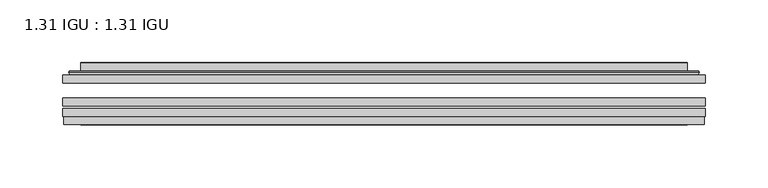
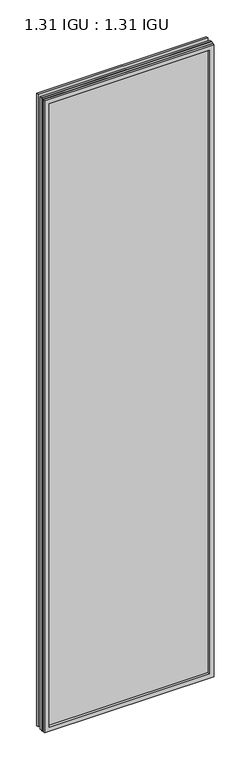
"""IFC4 building model written with IfcOpenShell, lengths in millimetres: plate geometry, 1.31 IGU : 1.31 IGU."""

from ifc_helpers import new_model, si_unit, frame, origin, place, context, project, spatial, polyline, ellipse_curve, outline, extrude, faceted_brep, source, transform, mapped, element, save
from ifc_brep_helpers import plane_surface, cylinder_surface, advanced_brep


def plate_1_31_igu_1_31_igu_3024964c(model_context):
    return source(origin(), model_context, "Body", "SolidModel", [
        extrude(outline(polyline([(255.601675, -63.59525), (255.601675, -69.94525), (-255.5875, -69.94525), (-255.5875, -63.59525), (255.601675, -63.59525)])), frame((0.0, 0.0, -14.2875), z_axis=(0.0, 0.0, 1.0), x_axis=(1.0, 0.0, 0.0)), (0.0, 0.0, 1.0), 2009.796575),
        extrude(outline(polyline([(-255.5875, -78.58125), (-255.5875, -72.230745), (255.601675, -72.230745), (255.601675, -78.58125), (-255.5875, -78.58125)])), frame((0.0, 0.0, -14.2875), z_axis=(0.0, 0.0, 1.0), x_axis=(1.0, 0.0, 0.0)), (0.0, 0.0, 1.0), 2009.796575),
        extrude(outline(polyline([(255.601675, -45.25645), (255.601675, -51.60645), (-255.5875, -51.60645), (-255.5875, -45.25645), (255.601675, -45.25645)])), frame((0.0, 0.0, -14.2875), z_axis=(0.0, 0.0, 1.0), x_axis=(1.0, 0.0, 0.0)), (0.0, 0.0, 1.0), 2009.796575),
        faceted_brep([(-254.8873142, -84.93125, 1994.8050914), (-254.8873142, -78.58125, 1994.8050914), (-254.8873142, -78.58125, -13.5873142), (-254.8873142, -84.93125, -13.5873142), (254.8873142, -78.58125, -13.5873142), (254.8873142, -84.93125, -13.5873142), (254.8873142, -78.58125, 1994.8050914), (254.8873142, -84.93125, 1994.8050914), (-240.4022559, -78.58125, 0.8977441), (240.4022559, -78.58125, 0.8977441), (240.4022559, -78.58125, 1980.320033), (-240.4022559, -78.58125, 1980.320033), (-241.2946902, -84.93125, 1981.2124673), (241.2946902, -84.93125, 1981.2124673), (241.2946902, -84.93125, 0.0053098), (-241.2946902, -84.93125, 0.0053098)], [[[0, 1, 2, 3]], [[3, 2, 4, 5]], [[5, 4, 6, 7]], [[1, 6, 4, 2], [8, 9, 10, 11]], [[7, 6, 1, 0]], [[3, 5, 7, 0], [12, 13, 14, 15]], [[11, 12, 15, 8]], [[8, 15, 14, 9]], [[9, 14, 13, 10]], [[10, 13, 12, 11]]]),
        advanced_brep(
        [(-248.346219, -45.25645, 1988.2639962), (-250.7004244, -43.2667833, 1990.6182015), (-250.7004244, -43.2667833, -9.4004244), (-248.346219, -45.25645, -7.046219), (-239.2718939, -41.416413, 1979.1896711), (-234.3370621, -45.25645, 1974.2548392), (-234.3370621, -45.25645, 6.9629379), (-239.2718939, -41.416413, 2.0281061), (-240.3039217, -36.0191819, 1980.2216988), (-240.3039217, -36.0191819, 0.9960783), (-241.2945784, -35.6202069, 1981.2123556), (-241.2945784, -35.6202069, 0.0054216), (-241.2945784, -42.08145, 1981.2123556), (-241.2945784, -42.08145, 0.0054216), (-249.6986349, -42.08145, 1989.616412), (-249.6986349, -42.08145, -8.3986349), (250.7004244, -43.2667833, -9.4004244), (248.346219, -45.25645, -7.046219), (234.3370621, -45.25645, 6.9629379), (239.2718939, -41.416413, 2.0281061), (240.3039217, -36.0191819, 0.9960783), (241.2945784, -35.6202069, 0.0054216), (241.2945784, -42.08145, 0.0054216), (249.6986349, -42.08145, -8.3986349), (250.7004244, -43.2667833, 1990.6182015), (248.346219, -45.25645, 1988.2639962), (234.3370621, -45.25645, 1974.2548392), (239.2718939, -41.416413, 1979.1896711), (240.3039217, -36.0191819, 1980.2216988), (241.2945784, -35.6202069, 1981.2123556), (241.2945784, -42.08145, 1981.2123556), (249.6986349, -42.08145, 1989.616412)],
        [
            (0, 1, ellipse_curve(frame((-248.346219, -42.86885, 1988.2639962), z_axis=(-0.7071067811865475, 0.0, -0.7071067811865475), x_axis=(-0.7071067811865474, 0.0, 0.7071067811865476)), 3.3765763, 2.3876)),
            (1, 2),
            (2, 3, ellipse_curve(frame((-248.346219, -42.86885, -7.046219), z_axis=(-0.7071067811865475, 0.0, 0.7071067811865475), x_axis=(0.7071067811865474, 0.0, 0.7071067811865476)), 3.3765763, 2.3876)),
            (3, 0),
            (4, 5),
            (5, 6),
            (6, 7),
            (7, 4),
            (8, 4),
            (7, 9),
            (9, 8),
            (10, 8, ellipse_curve(frame((-240.9276219, -36.1384423, 1980.845399), z_axis=(-0.7071067811865475, 0.0, -0.7071067811865475), x_axis=(-0.7071067811865474, 0.0, 0.7071067811865476)), 0.8980256, 0.635)),
            (9, 11, ellipse_curve(frame((-240.9276219, -36.1384423, 0.3723781), z_axis=(-0.7071067811865475, 0.0, 0.7071067811865475), x_axis=(0.7071067811865474, 0.0, 0.7071067811865476)), 0.8980256, 0.635)),
            (11, 10),
            (12, 10),
            (11, 13),
            (13, 12),
            (1, 14, ellipse_curve(frame((-249.6986349, -43.09745, 1989.616412), z_axis=(-0.7071067811865475, 0.0, -0.7071067811865475), x_axis=(-0.7071067811865474, 0.0, 0.7071067811865476)), 1.436841, 1.016)),
            (14, 15),
            (15, 2, ellipse_curve(frame((-249.6986349, -43.09745, -8.3986349), z_axis=(-0.7071067811865475, 0.0, 0.7071067811865475), x_axis=(0.7071067811865474, 0.0, 0.7071067811865476)), 1.436841, 1.016)),
            (2, 16),
            (16, 17, ellipse_curve(frame((248.346219, -42.86885, -7.046219), z_axis=(-0.7071067811865475, 0.0, -0.7071067811865475), x_axis=(-0.7071067811865476, 0.0, 0.7071067811865474)), 3.3765763, 2.3876)),
            (17, 3),
            (6, 18),
            (18, 19),
            (19, 7),
            (19, 20),
            (20, 9),
            (20, 21, ellipse_curve(frame((240.9276219, -36.1384423, 0.3723781), z_axis=(-0.7071067811865475, 0.0, -0.7071067811865475), x_axis=(-0.7071067811865476, 0.0, 0.7071067811865474)), 0.8980256, 0.635)),
            (21, 11),
            (21, 22),
            (22, 13),
            (15, 23),
            (23, 16, ellipse_curve(frame((249.6986349, -43.09745, -8.3986349), z_axis=(-0.7071067811865475, 0.0, -0.7071067811865475), x_axis=(-0.7071067811865476, 0.0, 0.7071067811865474)), 1.436841, 1.016)),
            (16, 24),
            (24, 25, ellipse_curve(frame((248.346219, -42.86885, 1988.2639962), z_axis=(0.7071067811865475, 0.0, -0.7071067811865475), x_axis=(-0.7071067811865474, 0.0, -0.7071067811865476)), 3.3765763, 2.3876)),
            (25, 17),
            (18, 26),
            (26, 27),
            (27, 19),
            (27, 28),
            (28, 20),
            (28, 29, ellipse_curve(frame((240.9276219, -36.1384423, 1980.845399), z_axis=(0.7071067811865475, 0.0, -0.7071067811865475), x_axis=(-0.7071067811865474, 0.0, -0.7071067811865476)), 0.8980256, 0.635)),
            (29, 21),
            (29, 30),
            (30, 22),
            (23, 31),
            (31, 24, ellipse_curve(frame((249.6986349, -43.09745, 1989.616412), z_axis=(0.7071067811865475, 0.0, -0.7071067811865475), x_axis=(-0.7071067811865474, 0.0, -0.7071067811865476)), 1.436841, 1.016)),
            (24, 1),
            (0, 25),
            (5, 26),
            (4, 27),
            (8, 28),
            (10, 29),
            (12, 30),
            (14, 31),
        ],
        [
            cylinder_surface(frame((-248.346219, -42.86885, 2012.9677772), z_axis=(0.0, 0.0, 1.0), x_axis=(-1.0, 0.0, 0.0)), 2.3876),
            plane_surface(frame((-234.3370621, -45.25645, 1974.2548392), z_axis=(0.6141233906514794, 0.7892100234124821, 0.0), x_axis=(0.0, 0.0, -1.0))),
            plane_surface(frame((-239.2718939, -41.416413, 1979.1896711), z_axis=(0.9822050625507729, 0.18781164793386076, 0.0), x_axis=(0.0, 0.0, -1.0))),
            cylinder_surface(frame((-240.9276219, -36.1384423, 2012.9677772), z_axis=(0.0, 0.0, 1.0), x_axis=(-1.0, 0.0, 0.0)), 0.635),
            plane_surface(frame((-241.2945784, -35.6202069, 1981.2123556), z_axis=(-1.0, 0.0, 0.0), x_axis=(0.0, 0.0, -1.0))),
            cylinder_surface(frame((-249.6986349, -43.09745, 2012.9677772), z_axis=(0.0, 0.0, 1.0), x_axis=(-1.0, 0.0, 0.0)), 1.016),
            cylinder_surface(frame((-273.05, -42.86885, -7.046219), z_axis=(-1.0, 0.0, 0.0), x_axis=(0.0, 0.0, -1.0)), 2.3876),
            plane_surface(frame((-234.3370621, -45.25645, 6.9629379), z_axis=(0.0, 0.7892100234124841, 0.6141233906514768), x_axis=(1.0, 0.0, 0.0))),
            plane_surface(frame((-239.2718939, -41.416413, 2.0281061), z_axis=(0.0, 0.18781164793386393, 0.9822050625507723), x_axis=(1.0, 0.0, 0.0))),
            cylinder_surface(frame((-273.05, -36.1384423, 0.3723781), z_axis=(-1.0, 0.0, 0.0), x_axis=(0.0, 0.0, -1.0)), 0.635),
            plane_surface(frame((-241.2945784, -35.6202069, 0.0054216), z_axis=(0.0, 0.0, -1.0), x_axis=(1.0, 0.0, 0.0))),
            cylinder_surface(frame((-273.05, -43.09745, -8.3986349), z_axis=(-1.0, 0.0, 0.0), x_axis=(0.0, 0.0, -1.0)), 1.016),
            cylinder_surface(frame((248.346219, -42.86885, -31.75), z_axis=(0.0, 0.0, -1.0), x_axis=(1.0, 0.0, 0.0)), 2.3876),
            plane_surface(frame((234.3370621, -45.25645, 6.9629379), z_axis=(-0.6141233906514743, 0.7892100234124861, 0.0), x_axis=(0.0, 0.0, 1.0))),
            plane_surface(frame((239.2718939, -41.416413, 2.0281061), z_axis=(-0.9822050625507718, 0.1878116479338671, 0.0), x_axis=(0.0, 0.0, 1.0))),
            cylinder_surface(frame((240.9276219, -36.1384423, -31.75), z_axis=(0.0, 0.0, -1.0), x_axis=(1.0, 0.0, 0.0)), 0.635),
            plane_surface(frame((241.2945784, -35.6202069, 0.0054216), z_axis=(1.0, 0.0, 0.0), x_axis=(0.0, 0.0, 1.0))),
            cylinder_surface(frame((249.6986349, -43.09745, -31.75), z_axis=(0.0, 0.0, -1.0), x_axis=(1.0, 0.0, 0.0)), 1.016),
            cylinder_surface(frame((273.05, -42.86885, 1988.2639962), z_axis=(1.0, 0.0, 0.0), x_axis=(0.0, 0.0, 1.0)), 2.3876),
            plane_surface(frame((248.346219, -45.25645, 1988.2639962), z_axis=(0.0, -1.0, 0.0), x_axis=(-1.0, 0.0, 0.0))),
            plane_surface(frame((234.3370621, -45.25645, 1974.2548392), z_axis=(0.0, 0.7892100234124841, -0.6141233906514768), x_axis=(-1.0, 0.0, 0.0))),
            plane_surface(frame((239.2718939, -41.416413, 1979.1896711), z_axis=(0.0, 0.18781164793386393, -0.9822050625507723), x_axis=(-1.0, 0.0, 0.0))),
            cylinder_surface(frame((273.05, -36.1384423, 1980.845399), z_axis=(1.0, 0.0, 0.0), x_axis=(0.0, 0.0, 1.0)), 0.635),
            plane_surface(frame((241.2945784, -35.6202069, 1981.2123556), z_axis=(0.0, 0.0, 1.0), x_axis=(-1.0, 0.0, 0.0))),
            plane_surface(frame((241.2945784, -42.08145, 1981.2123556), z_axis=(0.0, 1.0, 0.0), x_axis=(-1.0, 0.0, 0.0))),
            cylinder_surface(frame((273.05, -43.09745, 1989.616412), z_axis=(1.0, 0.0, 0.0), x_axis=(0.0, 0.0, 1.0)), 1.016),
        ],
        [
            (0, [[1, 2, 3, 4]]),
            (1, [[5, 6, 7, 8]]),
            (2, [[9, -8, 10, 11]]),
            (3, [[12, -11, 13, 14]]),
            (4, [[15, -14, 16, 17]]),
            (5, [[18, 19, 20, -2]]),
            (6, [[-3, 21, 22, 23]]),
            (7, [[-7, 24, 25, 26]]),
            (8, [[-10, -26, 27, 28]]),
            (9, [[-13, -28, 29, 30]]),
            (10, [[-16, -30, 31, 32]]),
            (11, [[-20, 33, 34, -21]]),
            (12, [[-22, 35, 36, 37]]),
            (13, [[-25, 38, 39, 40]]),
            (14, [[-27, -40, 41, 42]]),
            (15, [[-29, -42, 43, 44]]),
            (16, [[-31, -44, 45, 46]]),
            (17, [[-34, 47, 48, -35]]),
            (18, [[-36, 49, -1, 50]]),
            (19, [[-23, -37, -50, -4], [51, -38, -24, -6]]),
            (20, [[-39, -51, -5, 52]]),
            (21, [[-41, -52, -9, 53]]),
            (22, [[-43, -53, -12, 54]]),
            (23, [[-45, -54, -15, 55]]),
            (24, [[56, -47, -33, -19], [-32, -46, -55, -17]]),
            (25, [[-48, -56, -18, -49]]),
        ],
    ),
    ])


if __name__ == "__main__":
    model = new_model("IFC4")
    model_context = context("Model", 3, world=origin())
    ifc_project = project(units=[si_unit("LENGTHUNIT", "METRE", prefix="MILLI")], contexts=[model_context])
    site = spatial("IfcSite", under=ifc_project)
    building = spatial("IfcBuilding", under=site)
    placement = place(None, origin())
    plate_1_31_igu_1_31_igu_shape = plate_1_31_igu_1_31_igu_3024964c(model_context)
    element("IfcPlate", 1, ObjectType="1.31 IGU : 1.31 IGU", at=placement, inside=building, context=model_context, shape_type="MappedRepresentation", body=[
        mapped(plate_1_31_igu_1_31_igu_shape, transform((0.0, 0.0, 0.0), x_axis=(1.0, 0.0, 0.0), y_axis=(0.0, 1.0, 0.0), z_axis=(0.0, 0.0, 1.0))),
    ])
    save(model, "model.ifc")
